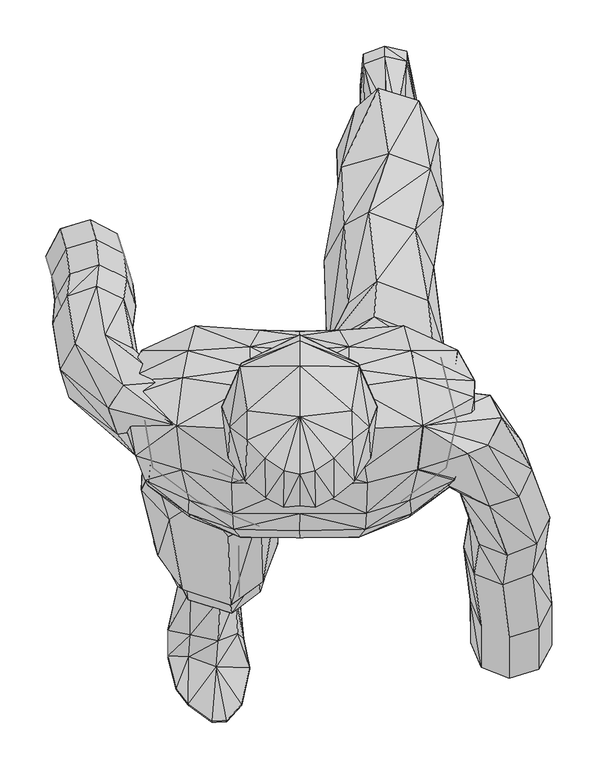
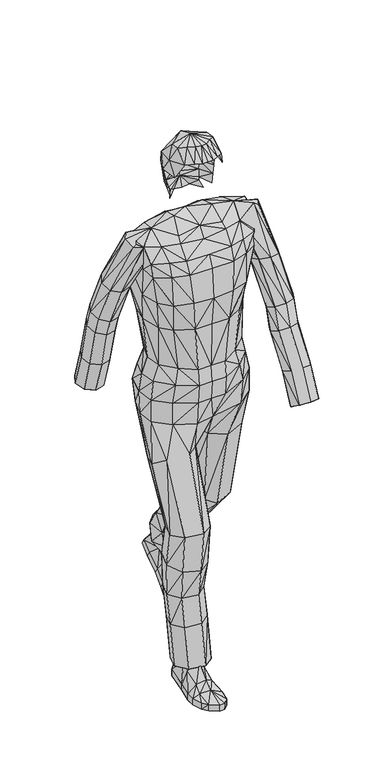
"""IFC4 building model written with IfcOpenShell, lengths in millimetres: geographic element geometry."""

from ifc_helpers import new_model, si_unit, origin, place, context, project, spatial, triangles, source, transform, mapped, element, save


def geographic_element_5e28aa69(model_context):
    return source(origin(), model_context, "Body", "Tessellation", [
        triangles([(-94.0595022, -170.7555656, 147.8358709), (-117.8720022, -158.1546269, 141.9819404), (-95.7460635, -179.2881844, 102.39375), (-111.6210665, -165.6953731, 95.3493126), (-122.0391261, -128.7858709, 134.0444344), (-118.268753, -133.6476835, 84.5345022), (-70.9414365, -173.6328791, 96.837503), (-72.0328761, -162.3217418, 142.6766291), (-98.5243096, -108.8430656, 90.5868126), (-105.568747, -102.39375, 133.0523165), (-79.0773135, -94.6546239, 92.2733739), (-81.3592509, -89.693753, 137.2194404), (-65.1868141, -140.0969991, 141.1881844), (-66.1789365, -148.6296269, 95.5476835), (-63.1032522, -115.4907522, 139.5016231), (-68.2624985, -123.4282491, 91.9756904), (-117.6733769, -93.3648135, 22.4234246), (-93.4641261, -87.6101865, 1.5875), (-117.6733769, -94.2578731, 1.7859375), (-93.4641261, -86.7171269, 22.0265761), (-69.9493141, -98.6233769, 2.1828125), (-69.9493141, -97.3335665, 22.621875), (-66.7743126, -139.2039396, 4.0679623), (-66.7743126, -138.0131874, 24.7054619), (-66.1789365, -194.0720022, 6.8460875), (-66.1789365, -192.7819283, 27.6819359), (-61.614812, -240.9029918, 9.525), (-61.614812, -239.910883, 29.9641253), (-54.9671254, -272.7528282, 11.2117123), (-54.9671254, -271.5615674, 31.5516261), (-63.4999985, -312.6384387, 13.2953254), (-63.4999985, -311.5462452, 33.9328761), (-80.168753, -330.497196, 14.0890496), (-80.168753, -329.5065951, 34.7266253), (-96.4407522, -331.0940709, 14.2875), (-96.4407522, -330.1009266, 34.9250008), (-122.237497, -312.6384387, 13.2953254), (-122.237497, -311.5462452, 33.9328761), (-135.1358739, -295.4731165, 12.4023373), (-135.1358739, -294.4799722, 33.039812), (-144.5618156, -260.0528222, 10.5171746), (-144.5618156, -258.6634448, 31.1546232), (-144.2641231, -231.576617, 9.3265496), (-144.2641231, -230.4851865, 29.7657522), (-132.0601896, -176.7085635, 6.1515754), (-132.0601896, -175.5180656, 26.5904986), (-91.3805596, -270.4693557, 48.4187515), (-121.3444374, -259.4559109, 39.8858739), (-114.6967509, -152.995367, 84.7328731), (-119.2608709, -185.5391291, 74.116438), (-94.5555656, -99.0203731, 101.2032522), (-97.63125, -107.949997, 122.237497), (-83.2444374, -104.0805656, 103.4851896), (-106.5608739, -110.7282522, 96.837503), (-89.8921239, -146.1493096, 143.2717509), (-72.2312515, -152.3006874, 87.2131904), (-87.2131904, -196.1555596, 101.600003), (-69.9493141, -194.4687439, 78.4819374), (-119.5585635, -235.4460574, 57.2493126), (-89.2970022, -241.7960695, 66.7743126), (-67.6671224, -233.8585635, 52.685188), (-112.4148135, -220.4641231, 8.2351629), (116.8796209, 269.5778222, 179.3875061), (94.8532491, 274.6375061, 134.937503), (93.1664335, 255.7856226, 176.6092418), (110.8273104, 290.0171996, 137.0210604), (117.2766261, 322.4606226, 146.2483769), (121.0469991, 298.1528222, 189.6069404), (71.2391246, 265.7068557, 177.3039305), (70.0483724, 282.4759448, 133.5483709), (97.5319374, 339.0315951, 165.3976805), (104.3782491, 320.3778282, 203.8944404), (78.1844991, 350.2431564, 174.7243096), (80.4664365, 328.3153161, 214.7092418), (64.9881844, 304.0049722, 146.843753), (64.1944374, 285.056583, 189.3095022), (61.9125, 305.7931443, 202.0095082), (67.2703761, 326.2325217, 158.0555596), (116.68125, 391.3200096, 118.7648165), (92.5710665, 407.7893895, 104.775), (116.68125, 401.934696, 101.2032522), (92.5710665, 396.6768774, 122.0391261), (68.9569374, 398.7596718, 98.9210604), (68.9569374, 387.7462452, 116.1851865), (65.8812485, 363.7356105, 77.4898104), (65.8812485, 352.9202823, 94.7539365), (65.1868141, 317.6981226, 48.0217463), (65.1868141, 306.2884266, 65.7819359), (60.4243141, 277.7134448, 23.7132873), (60.4243141, 266.5018835, 40.778938), (54.3720037, 250.4279918, 12.0054627), (54.3720037, 238.720367, 39.7868156), (62.3092463, 215.6023195, 7.0445379), (62.3092463, 204.3907582, 24.3085885), (79.1766261, 199.8266291, 5.5562498), (79.1766261, 188.714117, 23.1179635), (95.4483709, 199.1319404, 5.1593752), (95.4483709, 188.11875, 22.8203254), (121.2453791, 215.6023195, 7.0445379), (121.2453791, 204.3907582, 24.3085885), (134.143747, 230.385883, 7.6398373), (134.143747, 218.9756783, 25.5983739), (143.5694344, 261.6403161, 13.2953254), (143.5694344, 250.626617, 30.95625), (143.3710635, 285.8490674, 28.277312), (143.3710635, 274.8356226, 46.0375015), (131.0680626, 332.3818557, 57.6460635), (131.0680626, 321.6681564, 74.9101896), (90.6858709, 230.8819283, 43.6562515), (120.4516231, 244.5743156, 45.6404963), (118.3680656, 286.0471839, 108.2476896), (113.8039365, 306.4865613, 135.3344991), (93.5631844, 340.9162548, 179.9828731), (96.6391231, 322.1634387, 191.8891231), (82.0539396, 335.8565709, 178.6930717), (105.6680596, 334.1700096, 169.5648135), (88.9993096, 278.8056383, 187.2256904), (71.4375, 305.3943678, 137.7157491), (86.2210635, 261.4421996, 124.5194344), (68.9569374, 276.3240674, 106.6601865), (118.5664365, 254.7950217, 65.5835604), (88.4039335, 243.7805596, 69.5523135), (66.675, 258.9606287, 63.1032522), (111.5219991, 294.9778161, 34.1312492)], [[1, 2, 3], [2, 4, 3], [5, 2, 6], [6, 4, 2], [1, 7, 8], [1, 3, 7], [9, 5, 6], [10, 5, 9], [10, 9, 11], [12, 10, 11], [13, 14, 8], [14, 8, 7], [15, 14, 13], [15, 16, 14], [12, 16, 15], [12, 11, 16], [17, 18, 19], [17, 20, 18], [20, 21, 18], [22, 21, 20], [22, 23, 21], [22, 24, 23], [24, 25, 23], [24, 26, 25], [26, 27, 25], [26, 28, 27], [28, 29, 27], [28, 30, 29], [30, 31, 29], [30, 32, 31], [32, 33, 31], [32, 34, 33], [34, 35, 33], [36, 35, 34], [36, 37, 35], [36, 38, 37], [39, 37, 38], [40, 39, 38], [41, 39, 40], [42, 41, 40], [43, 41, 42], [44, 43, 42], [45, 43, 44], [46, 45, 44], [19, 45, 46], [17, 19, 46], [47, 38, 36], [47, 48, 38], [48, 40, 38], [30, 47, 32], [32, 47, 34], [34, 47, 36], [49, 46, 50], [17, 46, 49], [51, 22, 20], [52, 53, 51], [53, 22, 51], [54, 20, 17], [52, 54, 55], [17, 49, 54], [22, 53, 56], [53, 52, 55], [53, 55, 56], [22, 56, 24], [54, 49, 55], [55, 49, 57], [24, 56, 26], [55, 58, 56], [55, 57, 58], [56, 58, 26], [57, 49, 50], [57, 50, 59], [46, 44, 50], [26, 58, 28], [58, 57, 60], [61, 58, 60], [58, 61, 28], [50, 44, 59], [57, 59, 60], [60, 59, 48], [44, 42, 59], [61, 30, 28], [61, 60, 47], [30, 61, 47], [59, 42, 48], [60, 48, 47], [48, 42, 40], [52, 20, 54], [20, 52, 51], [62, 41, 43], [62, 39, 41], [62, 37, 39], [35, 37, 62], [33, 35, 62], [31, 33, 62], [29, 31, 62], [29, 62, 27], [27, 62, 25], [25, 62, 23], [23, 62, 21], [21, 62, 18], [18, 62, 19], [62, 45, 19], [62, 43, 45], [63, 64, 65], [66, 64, 63], [67, 68, 63], [67, 66, 63], [69, 65, 70], [65, 64, 70], [71, 68, 67], [71, 72, 68], [72, 71, 73], [74, 72, 73], [75, 69, 76], [75, 69, 70], [77, 75, 76], [78, 75, 77], [74, 78, 77], [73, 78, 74], [79, 80, 81], [82, 80, 79], [82, 83, 80], [82, 84, 83], [83, 84, 85], [84, 86, 85], [85, 86, 87], [86, 88, 87], [87, 88, 89], [88, 90, 89], [89, 90, 91], [90, 92, 91], [91, 92, 93], [92, 94, 93], [94, 95, 93], [94, 96, 95], [96, 97, 95], [96, 98, 97], [98, 99, 97], [100, 99, 98], [101, 99, 100], [101, 100, 102], [103, 101, 102], [103, 102, 104], [105, 103, 104], [105, 104, 106], [107, 105, 106], [107, 106, 108], [81, 107, 108], [81, 108, 79], [100, 98, 109], [100, 109, 110], [102, 100, 110], [109, 94, 92], [109, 96, 94], [98, 96, 109], [108, 111, 112], [79, 108, 112], [113, 84, 82], [114, 115, 113], [113, 115, 84], [79, 116, 82], [116, 117, 114], [79, 112, 116], [84, 115, 118], [114, 117, 115], [115, 117, 118], [84, 118, 86], [116, 112, 117], [112, 119, 117], [86, 118, 88], [118, 117, 120], [117, 119, 120], [88, 118, 120], [112, 111, 119], [111, 121, 119], [108, 106, 111], [88, 120, 90], [120, 119, 122], [120, 122, 123], [120, 123, 90], [111, 106, 121], [119, 121, 122], [122, 121, 110], [106, 104, 121], [90, 123, 92], [122, 109, 123], [109, 92, 123], [121, 104, 110], [122, 110, 109], [104, 102, 110], [82, 116, 114], [82, 114, 113], [103, 105, 124], [103, 124, 101], [101, 124, 99], [99, 124, 97], [124, 95, 97], [124, 93, 95], [124, 91, 93], [124, 89, 91], [124, 87, 89], [124, 85, 87], [124, 83, 85], [124, 80, 83], [81, 80, 124], [107, 81, 124], [105, 107, 124]], closed=False),
        triangles([(-0.396875, 32.2460627, 1513.8807049), (-61.9125, -11.2117123, 1528.3663033), (-0.396875, -49.3118156, 1497.0125484), (-71.6358754, -52.7842463, 1487.4875484), (-134.7391231, -7.6398373, 1510.5075096), (-59.3328746, 34.8256859, 1515.468108), (-127.793753, 45.3430626, 1494.6299904), (-74.2154963, -69.6516261, 1472.2067951), (-0.396875, -72.3305641, 1464.6681564), (-73.2233739, -102.8898135, 1431.3306564), (-0.396875, -103.4851896, 1429.743108), (-72.2312515, -120.4516231, 1391.4450096), (-0.5953125, -122.1381844, 1392.4356468), (-0.396875, -129.9766231, 1293.8124516), (-64.4921254, -128.9842509, 1296.7894501), (-56.3562485, -119.9555596, 1198.1662548), (-0.396875, -117.7726896, 1197.5693436), (-119.6578761, -107.4539335, 1292.6212452), (-108.9421239, -89.7930656, 1195.3875), (-122.237497, -103.4851896, 1390.8480984), (-120.8483739, -88.6023135, 1430.9318436), (-128.9842509, -55.2648135, 1471.4144016), (-179.3875061, -39.9851865, 1478.1606468), (-190.8967418, 23.9117127, 1487.0912064), (-191.4921269, -6.4492123, 1475.5799904), (-169.2671209, -66.972688, 1430.3375484), (-165.8937439, -73.1243156, 1385.6894016), (-146.843753, -62.0118126, 1285.2807049), (-138.3108709, -56.2569359, 1194.394392), (-159.9404918, -0.4960925, 1282.7000484), (-156.1703731, 4.0679623, 1195.9818678), (-159.9404918, -5.0601625, 1373.5837452), (-167.4812561, 60.0273135, 1279.5249516), (-146.6453731, 57.8444344, 1195.9818678), (-173.0374939, 75.2078776, 1375.1712936), (-191.6907522, 41.9694359, 1451.9682049), (-53.7766276, 55.6618141, 1500.5836967), (-0.396875, 51.9907537, 1496.6162064), (-0.396875, 74.9101896, 1466.6519016), (-54.1733739, 78.6805626, 1468.4375484), (-121.8405009, 74.7118141, 1464.6681564), (-0.396875, 91.0828761, 1379.3393532), (-43.6562515, 97.1351865, 1377.9500484), (-114.3, 102.0960665, 1374.5768532), (-0.396875, 88.8006844, 1274.9605499), (-40.0845037, 93.5631844, 1274.9605499), (-104.9733709, 97.5319374, 1274.9605499), (-95.25, 80.5657491, 1198.1662548), (-34.3296247, 82.2523104, 1198.5625242), (-0.396875, 79.6726896, 1198.5625242), (-0.396875, -115.9868156, 1051.519392), (-44.4499985, -117.1773135, 1052.1162306), (-93.8608769, -89.7930656, 1057.8693678), (-136.7233769, -52.7842463, 1063.030608), (-148.431247, -7.3422004, 1067.5950096), (-130.3733739, 42.1680656, 1063.6249758), (-95.0516291, 61.8131874, 1058.8624758), (-54.5703746, 60.6226896, 1059.8556564), (-0.396875, 58.8368156, 1057.275), (61.1187485, -11.2117123, 1528.3663033), (70.6437485, -52.7842463, 1487.4875484), (134.143747, -7.6398373, 1510.5075096), (58.5391276, 34.8256859, 1515.468108), (126.999997, 45.3430626, 1494.6299904), (73.4220037, -69.6516261, 1472.2067951), (72.4296224, -102.8898135, 1431.3306564), (71.2391246, -120.4516231, 1391.4450096), (64.0953746, -128.9842509, 1296.7894501), (55.5625015, -119.9555596, 1198.1662548), (118.8641291, -107.4539335, 1292.6212452), (108.1483769, -89.7930656, 1195.3875), (121.44375, -103.4851896, 1390.8480984), (120.0546269, -88.6023135, 1430.9318436), (128.1907491, -55.2648135, 1471.4144016), (178.59375, -39.9851865, 1478.1606468), (190.3016291, 23.9117127, 1487.0912064), (190.6983709, -6.4492123, 1475.5799904), (168.473383, -66.972688, 1430.3375484), (165.1000061, -73.1243156, 1385.6894016), (146.049997, -62.0118126, 1285.2807049), (137.5171239, -56.2569359, 1194.394392), (159.1470082, -0.4960925, 1282.7000484), (155.376617, 4.0679623, 1195.9818678), (159.1470082, -5.0601625, 1373.5837452), (166.8858709, 60.0273135, 1279.5249516), (145.8516261, 57.8444344, 1195.9818678), (172.2437561, 75.2078776, 1375.1712936), (190.8967418, 41.9694359, 1451.9682049), (52.9828761, 55.6618141, 1500.5836967), (53.3796224, 78.6805626, 1468.4375484), (121.0469991, 74.7118141, 1464.6681564), (42.8625, 97.1351865, 1377.9500484), (113.506253, 102.0960665, 1374.5768532), (39.2907522, 93.5631844, 1274.9605499), (104.1796239, 97.5319374, 1274.9605499), (94.456253, 80.5657491, 1198.1662548), (33.5358732, 82.2523104, 1198.5625242), (43.8546224, -117.1773135, 1052.1162306), (93.0671209, -89.7930656, 1057.8693678), (135.9296209, -52.7842463, 1063.030608), (147.4391291, -7.3422004, 1067.5950096), (129.5796269, 42.1680656, 1063.6249758), (94.2578731, 61.8131874, 1058.8624758), (53.7766276, 60.6226896, 1059.8556564), (-146.1493096, 40.778938, 1480.5432049), (-130.7703791, 29.4680641, 1475.2827702), (-182.6618156, 77.1921269, 1333.2027798), (-212.526617, 92.075003, 1339.6519501), (-173.1368156, 46.5335604, 1321.0971233), (-120.9476865, 1.091405, 1459.3087452), (-189.6069404, 17.859375, 1310.5816315), (-137.0210604, -24.2093758, 1443.3347202), (-222.4483769, 8.2351629, 1307.9018532), (-252.3131783, 23.0187508, 1314.3508781), (-199.5289365, -16.8672004, 1468.7346233), (-261.8384326, 53.7766276, 1326.4565346), (-209.2523074, 11.5093754, 1484.7087936), (-245.3680717, 82.3516231, 1336.9721718), (-193.1789426, 36.8101873, 1487.9828671), (-192.3851865, 130.8694374, 1191.618108), (-221.9523135, 145.1569374, 1201.341279), (-182.760883, 99.9131874, 1180.8028524), (-198.7351805, 70.3460604, 1175.146221), (-230.8819283, 59.53125, 1178.024025), (-260.4490552, 73.7194374, 1187.6481468), (-270.0731226, 104.775, 1198.463475), (-254.0990613, 134.2430596, 1204.1174904), (-189.2101805, 154.0868156, 1132.1846718), (-219.075, 168.7710574, 1140.7191072), (-179.5858769, 123.1305656, 1121.5699854), (-195.6592418, 93.8608769, 1115.0193678), (-228.2032582, 83.4430626, 1116.6068436), (-258.069077, 98.1273135, 1125.2403282), (-267.6931443, 129.1828761, 1135.8574854), (-251.6187439, 158.4523195, 1142.306583), (-192.6828791, 180.4789365, 1008.5577702), (-222.6470022, 196.0562561, 1013.0231226), (-182.8601865, 148.431247, 1002.7056564), (-198.9335695, 118.6657491, 998.6365734), (-231.4773135, 108.6444404, 998.8346718), (-261.3431322, 124.2217509, 1003.200975), (-271.1653161, 156.2694404, 1009.0556322), (-255.0922056, 186.0351926, 1013.1221718), (-199.429633, 202.40625, 904.875), (-229.2944344, 217.9835695, 909.2412306), (-189.5078731, 170.1601805, 900.2115492), (-205.382867, 140.1960665, 898.0297056), (-237.8273074, 129.9766231, 899.7162306), (-267.6931443, 145.5539335, 904.0799904), (-277.7134448, 177.7006904, 908.7434412), (-261.7393835, 207.764117, 910.828779), (144.2641231, 22.0265761, 1459.9056564), (178.7921209, -20.240625, 1318.9152798), (161.4289365, 31.5516261, 1457.2258781), (210.8398195, -9.3265496, 1315.143417), (164.4055717, -50.00625, 1328.1432049), (176.0141291, -81.1608709, 1337.6682049), (183.6539426, -37.802312, 1505.2472202), (206.8710574, -95.4483709, 1341.7346718), (205.6805596, -28.7733732, 1483.8171329), (238.9187561, -84.7328731, 1337.9652798), (220.3648195, 1.4882825, 1479.0546329), (253.3055596, -54.8680626, 1328.7375), (208.0618096, 25.7970014, 1465.9558685), (241.6970022, -23.7132873, 1319.2125), (199.1319404, -78.7796209, 1174.3537548), (230.98125, -66.4766246, 1173.459696), (184.6460695, -108.0493096, 1184.7702702), (196.1555596, -136.9220022, 1198.6615734), (226.7148135, -148.6296269, 1207.790304), (258.5643774, -136.3266261, 1206.9952944), (273.0499939, -107.15625, 1196.4797298), (261.6403161, -78.1844991, 1182.6874758), (193.5756844, -110.4305596, 1113.1346718), (225.7226865, -98.424997, 1111.1509266), (179.0898135, -139.5016231, 1123.8509508), (190.6983709, -168.7710574, 1136.8481226), (221.6546209, -180.8756783, 1144.686525), (253.7023195, -168.8703791, 1142.7028524), (268.1884448, -139.7993156, 1132.0856226), (256.5806322, -110.6289396, 1119.0884508), (200.7194344, -170.7555656, 999.5306322), (232.6680656, -160.6351805, 993.675975), (186.332867, -197.7430717, 1014.5115492), (198.0404918, -225.8220082, 1029.7922298), (228.8976926, -238.6210635, 1036.4393532), (260.8453065, -228.5006783, 1030.584696), (275.2318557, -201.5131904, 1015.5047298), (263.5249939, -173.4345082, 1000.3230984), (200.8187561, -217.8845022, 904.3796814), (232.767133, -207.764117, 898.5250242), (186.5312561, -244.1773195, 920.4528282), (198.239117, -271.3634326, 937.3184412), (228.9967418, -283.3700217, 945.1568436), (260.9443557, -273.2481287, 939.3047298), (275.330923, -246.9555656, 923.231583), (263.6240613, -219.7694344, 906.3634266)], [[1, 2, 3], [3, 2, 4], [2, 5, 4], [1, 6, 2], [6, 5, 7], [6, 5, 2], [3, 8, 9], [3, 4, 8], [9, 10, 11], [8, 10, 9], [11, 12, 13], [10, 12, 11], [13, 12, 14], [12, 15, 14], [14, 16, 17], [15, 16, 14], [18, 19, 16], [15, 18, 16], [20, 18, 15], [12, 20, 15], [21, 20, 12], [10, 21, 12], [22, 21, 10], [8, 22, 10], [4, 22, 8], [4, 5, 22], [22, 5, 23], [5, 24, 23], [24, 25, 23], [23, 26, 22], [22, 26, 21], [21, 26, 20], [26, 27, 20], [20, 27, 18], [28, 18, 27], [28, 19, 18], [29, 19, 28], [30, 29, 28], [31, 29, 30], [30, 28, 27], [30, 27, 32], [32, 27, 26], [32, 26, 23], [32, 23, 25], [33, 31, 34], [33, 31, 30], [35, 33, 30], [35, 30, 32], [24, 32, 25], [36, 32, 24], [35, 32, 36], [7, 24, 5], [37, 6, 7], [38, 6, 37], [38, 6, 1], [38, 39, 40], [37, 40, 38], [37, 41, 40], [37, 7, 41], [7, 36, 24], [7, 36, 41], [40, 39, 42], [40, 42, 43], [40, 43, 44], [40, 41, 44], [41, 35, 44], [41, 36, 35], [42, 45, 43], [43, 45, 46], [43, 46, 47], [43, 47, 44], [35, 44, 33], [44, 47, 33], [33, 34, 48], [33, 47, 48], [47, 49, 48], [46, 49, 47], [45, 49, 46], [45, 50, 49], [16, 51, 17], [16, 52, 51], [16, 19, 52], [19, 53, 52], [29, 53, 19], [29, 54, 53], [31, 54, 29], [31, 55, 54], [34, 55, 31], [34, 56, 55], [48, 56, 34], [48, 57, 56], [49, 57, 48], [49, 58, 57], [50, 58, 49], [50, 59, 58], [60, 1, 3], [61, 60, 3], [62, 60, 61], [60, 63, 1], [62, 64, 63], [62, 63, 60], [3, 9, 65], [65, 61, 3], [9, 11, 66], [65, 9, 66], [11, 13, 67], [66, 11, 67], [13, 14, 67], [67, 14, 68], [14, 17, 69], [68, 14, 69], [70, 71, 69], [68, 69, 70], [72, 68, 70], [67, 68, 72], [73, 67, 72], [66, 67, 73], [74, 66, 73], [65, 66, 74], [74, 61, 65], [62, 61, 74], [75, 62, 74], [76, 62, 75], [76, 75, 77], [75, 74, 78], [74, 73, 78], [73, 72, 78], [78, 72, 79], [72, 70, 79], [80, 79, 70], [80, 71, 70], [81, 71, 80], [82, 81, 80], [83, 81, 82], [82, 79, 80], [82, 84, 79], [84, 78, 79], [84, 75, 78], [84, 77, 75], [85, 86, 83], [85, 83, 82], [87, 85, 82], [87, 84, 82], [76, 77, 84], [88, 76, 84], [87, 88, 84], [76, 64, 62], [64, 89, 63], [63, 89, 38], [63, 38, 1], [38, 90, 39], [89, 90, 38], [89, 91, 90], [89, 64, 91], [64, 76, 88], [64, 88, 91], [90, 42, 39], [90, 92, 42], [90, 93, 92], [90, 91, 93], [91, 87, 93], [91, 88, 87], [42, 92, 45], [92, 94, 45], [92, 95, 94], [92, 93, 95], [87, 93, 85], [93, 85, 95], [85, 96, 86], [85, 96, 95], [95, 96, 97], [95, 97, 94], [94, 97, 45], [45, 97, 50], [69, 17, 51], [69, 51, 98], [69, 98, 71], [71, 98, 99], [81, 71, 99], [81, 99, 100], [83, 81, 100], [83, 100, 101], [86, 83, 101], [86, 101, 102], [96, 86, 102], [96, 102, 103], [97, 96, 103], [97, 103, 104], [97, 104, 50], [50, 104, 59], [105, 106, 107], [105, 107, 108], [109, 106, 110], [107, 106, 109], [111, 112, 110], [109, 110, 111], [23, 112, 113], [112, 111, 113], [114, 23, 115], [23, 113, 114], [116, 115, 117], [116, 114, 115], [118, 117, 119], [118, 116, 117], [119, 105, 108], [119, 108, 118], [108, 107, 120], [108, 120, 121], [122, 107, 109], [120, 107, 122], [123, 109, 111], [122, 109, 123], [111, 124, 113], [111, 123, 124], [114, 113, 125], [113, 124, 125], [126, 114, 116], [126, 114, 125], [127, 116, 118], [127, 126, 116], [108, 121, 118], [118, 121, 127], [121, 120, 128], [121, 128, 129], [120, 122, 130], [128, 120, 130], [122, 123, 131], [130, 122, 131], [124, 123, 132], [123, 131, 132], [125, 124, 133], [124, 132, 133], [134, 126, 125], [134, 125, 133], [135, 126, 127], [135, 126, 134], [127, 121, 129], [127, 129, 135], [129, 128, 136], [129, 136, 137], [128, 130, 138], [136, 128, 138], [130, 131, 139], [138, 130, 139], [132, 131, 140], [131, 139, 140], [133, 132, 141], [132, 140, 141], [142, 134, 133], [142, 133, 141], [143, 135, 134], [143, 134, 142], [135, 129, 137], [135, 143, 137], [137, 136, 144], [137, 144, 145], [136, 138, 146], [144, 136, 146], [138, 139, 147], [146, 138, 147], [140, 139, 148], [139, 148, 147], [141, 140, 149], [140, 148, 149], [150, 142, 141], [150, 141, 149], [151, 143, 142], [151, 142, 150], [143, 145, 137], [143, 151, 145], [106, 105, 5], [106, 5, 110], [110, 112, 5], [5, 112, 23], [5, 115, 23], [5, 117, 115], [5, 119, 117], [5, 105, 119], [151, 150, 149], [145, 151, 149], [144, 149, 145], [146, 149, 144], [146, 147, 149], [147, 148, 149], [152, 153, 154], [154, 153, 155], [91, 156, 152], [152, 156, 153], [91, 74, 157], [91, 157, 156], [158, 159, 74], [74, 159, 157], [160, 161, 158], [158, 161, 159], [162, 163, 160], [160, 163, 161], [164, 165, 162], [162, 165, 163], [164, 154, 155], [164, 155, 165], [153, 166, 155], [155, 166, 167], [153, 156, 168], [153, 168, 166], [156, 157, 169], [156, 169, 168], [159, 170, 157], [157, 170, 169], [159, 161, 171], [159, 171, 170], [163, 172, 161], [161, 172, 171], [165, 173, 163], [163, 173, 172], [165, 155, 167], [165, 167, 173], [166, 174, 167], [167, 174, 175], [166, 168, 176], [166, 176, 174], [168, 169, 177], [168, 177, 176], [170, 178, 169], [169, 178, 177], [170, 171, 179], [170, 179, 178], [172, 180, 171], [171, 180, 179], [173, 181, 172], [172, 181, 180], [173, 167, 175], [173, 175, 181], [174, 182, 175], [175, 182, 183], [174, 176, 184], [174, 184, 182], [176, 177, 185], [176, 185, 184], [178, 186, 177], [177, 186, 185], [178, 179, 187], [178, 187, 186], [180, 188, 179], [179, 188, 187], [181, 189, 180], [180, 189, 188], [181, 175, 183], [181, 183, 189], [182, 190, 183], [183, 190, 191], [182, 184, 192], [182, 192, 190], [184, 185, 193], [184, 193, 192], [186, 194, 185], [185, 194, 193], [186, 187, 195], [186, 195, 194], [188, 196, 187], [187, 196, 195], [189, 197, 188], [188, 197, 196], [189, 183, 191], [189, 191, 197], [62, 152, 154], [91, 152, 62], [91, 62, 74], [158, 74, 62], [160, 158, 62], [162, 160, 62], [162, 62, 164], [62, 154, 164], [196, 197, 195], [197, 191, 195], [195, 191, 190], [195, 190, 192], [195, 192, 193], [195, 193, 194]], closed=False),
        triangles([(-93.8608769, -89.7930656, 1057.8693678), (-44.4499985, -123.5273165, 1001.316279), (-44.4499985, -117.1773135, 1052.1162306), (-105.2710635, -96.1430596, 1007.0693436), (-136.7233769, -52.7842463, 1063.030608), (-154.4835574, -52.7842463, 1012.2306564), (-148.431247, -7.3422004, 1067.5950096), (-166.1914365, -7.3422004, 1016.7949854), (-130.3733739, 42.1680656, 1063.6249758), (-148.1335635, 48.5180641, 1012.8250242), (-95.0516291, 61.8131874, 1058.8624758), (-106.4618156, 79.6726896, 1008.0625242), (-54.5703746, 60.6226896, 1059.8556564), (-54.5703746, 78.4819374, 1009.0556322), (-0.396875, 63.996062, 1057.275), (-0.396875, 76.6960635, 1006.4749758), (53.7766276, 60.6226896, 1059.8556564), (53.7766276, 78.4819374, 1009.0556322), (94.2578731, 61.8131874, 1058.8624758), (105.6680596, 79.6726896, 1008.0625242), (129.5796269, 42.1680656, 1063.6249758), (140.9898135, 48.5180641, 1012.8250242), (147.4391291, -7.3422004, 1067.5950096), (158.8493156, -7.3422004, 1016.7949854), (135.9296209, -52.7842463, 1063.030608), (147.3398165, -52.7842463, 1012.2306564), (93.0671209, -89.7930656, 1057.8693678), (104.4773165, -96.1430596, 1007.0693436), (43.8546224, -117.1773135, 1052.1162306), (43.8546224, -123.5273165, 1001.316279), (-0.396875, -115.9868156, 1051.519392), (-0.396875, -122.3368096, 1000.7193678), (-111.6210665, -89.7930656, 943.5693678), (-44.4499985, -117.1773135, 937.8162306), (-111.6210665, -89.7930656, 867.3693678), (-44.4499985, -110.8273104, 861.6162306), (-0.396875, -115.9868156, 937.219392), (12.3031246, -101.4016231, 861.019392), (43.8546224, -117.1773135, 937.8162306), (117.1773135, -89.7930656, 943.5693678), (110.8273104, -89.7930656, 867.3693678), (160.0398135, -52.7842463, 948.730608), (160.0398135, -52.7842463, 872.530608), (171.5493217, -0.9921875, 953.2950096), (171.5493217, -0.9921875, 877.0950096), (153.6898195, 67.5680641, 949.3249758), (153.6898195, 61.2180656, 873.1249758), (118.3680656, 98.7226896, 944.5624758), (112.0180626, 92.3726865, 868.3624758), (53.7766276, 97.5319374, 945.5556564), (53.7766276, 91.1819344, 869.3556564), (-0.396875, 95.7460635, 942.975), (-28.6743149, 78.6805626, 869.3556564), (-54.5703746, 97.5319374, 945.5556564), (-112.8118096, 98.7226896, 944.5624758), (-112.8118096, 83.6414335, 868.3624758), (-154.4835574, 67.5680641, 949.3249758), (-147.7368126, 61.2180656, 873.1249758), (-172.5414305, -0.9921875, 953.2950096), (-169.5648135, -0.9921875, 877.0950096), (-160.8335695, -52.7842463, 948.730608), (-160.8335695, -52.7842463, 872.530608), (144.462503, 87.312503, 775.8912306), (81.2601835, 111.8194374, 782.4393774), (171.2516291, 25.9953768, 763.884696), (145.9506844, -36.3141261, 753.3690588), (83.4430626, -63.1032522, 751.0856226), (32.9407514, -38.5960635, 757.6337694), (6.1515754, 22.7210877, 769.5412548), (31.4523112, 85.0305656, 780.056892), (140.49375, 129.4805596, 518.2184049), (83.9391261, 150.6141261, 530.3240613), (157.5592418, 75.6046239, 496.8875121), (140.6921209, 20.7367135, 478.8306564), (84.2368096, -3.0757877, 474.5634387), (53.1812515, 18.0578254, 486.6690951), (29.6664373, 71.9335635, 507.9009387), (52.9828761, 126.8016261, 526.0568436), (126.0078791, 207.0694283, 397.6700217), (75.1085604, 226.1194283, 409.8721839), (146.1493096, 165.9930656, 357.9825096), (123.7256874, 152.4, 314.0278161), (72.0328761, 138.3108709, 291.5056443), (46.5335604, 157.3608709, 303.6087391), (26.3921232, 173.0374939, 343.2962331), (48.7164396, 212.0305717, 387.2509266), (142.1805656, 273.5452944, 293.3903222), (96.9368156, 290.3143835, 307.5787548), (156.7657582, 235.0493156, 251.4203731), (141.1881844, 222.7460695, 206.2756904), (95.5476835, 207.8631844, 184.5470022), (43.9539396, 224.6312561, 198.7351805), (42.0687485, 237.7282582, 240.7046209), (44.946062, 275.4299722, 285.75), (129.6789396, 348.0587331, 194.4687439), (85.3282491, 361.8509508, 214.7092418), (151.4078731, 306.3875121, 158.8493156), (137.7157491, 261.3431322, 128.5875), (87.5108739, 239.2164305, 121.44375), (62.1108754, 253.007867, 141.5851896), (40.48125, 294.581583, 177.3039305), (60.5233724, 339.7250121, 207.5654918), (-142.6766291, -109.3391291, 766.8615492), (-78.1844991, -128.2898165, 777.3797298), (-173.235883, -77.1921269, 747.019083), (-151.9039365, -14.882825, 729.1578186), (-91.281247, 15.8749996, 723.9990492), (-52.1891246, -3.0757877, 734.5172298), (-21.6297004, -60.6226896, 754.359696), (-42.9618126, -97.5319374, 772.218417), (-128.7858709, -186.1342418, 540.6440709), (-75.7039365, -203.1006844, 544.9087452), (-155.1779918, -148.7289396, 535.1856105), (-139.5016231, -94.9523165, 531.9115734), (-90.8842509, -68.9569374, 532.6049904), (-50.6016261, -85.9233709, 536.8721718), (-24.1101631, -136.0289335, 542.3306322), (-39.7868156, -177.1055596, 545.6047056), (-133.6476835, -182.760883, 419.3971839), (-80.9625, -198.7351805, 416.4202944), (-159.6430717, -134.143747, 425.0537427), (-143.668747, -81.3592509, 429.7171935), (-95.0516291, -55.4631844, 430.9059291), (-54.9671254, -71.4375, 427.931583), (-28.9717486, -120.0546269, 422.3740734), (-44.946062, -172.8391231, 417.6115734), (-129.4805596, -170.1601805, 319.780917), (-82.0539396, -184.6460695, 325.4375121), (-152.8960635, -126.5039335, 315.9125121), (-138.4101835, -78.9780009, 316.1106105), (-94.6546239, -55.5625015, 320.6750121), (-59.9279963, -70.0483724, 326.4306564), (-36.6118141, -113.8039365, 330.2990613), (-50.9983724, -161.2305656, 330.0018774), (-124.0233709, -179.189117, 221.9523135), (-76.8944344, -193.5756844, 229.8898195), (-147.0421239, -135.6319374, 214.907867), (-132.3578731, -88.2055626, 212.9233769), (-88.5030009, -64.7898135, 217.0904918), (-54.0743156, -79.1766261, 224.9289305), (-31.0555649, -122.8328731, 231.9733769), (-45.7398135, -170.1601805, 233.957867), (-121.7414335, -197.2470082, 88.3046209), (-74.4141261, -211.8319283, 92.5710665), (-144.7601865, -153.5907522, 81.8555596), (-129.9766231, -106.362503, 76.8944344), (-86.0226835, -83.2444374, 76.4976835), (-51.3953776, -97.8296209, 80.7641291), (-28.4756851, -141.4858769, 87.2131904), (-43.160188, -188.714117, 92.1743156)], [[1, 2, 3], [1, 4, 2], [5, 4, 1], [5, 6, 4], [7, 6, 5], [8, 6, 7], [9, 8, 7], [10, 8, 9], [9, 11, 10], [11, 12, 10], [13, 12, 11], [13, 14, 12], [13, 15, 14], [15, 16, 14], [17, 16, 15], [17, 18, 16], [17, 19, 18], [19, 20, 18], [21, 20, 19], [21, 22, 20], [22, 21, 23], [22, 23, 24], [23, 25, 24], [24, 25, 26], [25, 27, 26], [27, 28, 26], [27, 29, 28], [29, 30, 28], [29, 31, 30], [31, 32, 30], [3, 32, 31], [3, 2, 32], [4, 33, 2], [2, 33, 34], [33, 35, 34], [34, 35, 36], [2, 34, 32], [32, 34, 37], [34, 36, 37], [37, 36, 38], [30, 32, 37], [30, 37, 39], [39, 37, 38], [28, 30, 39], [28, 39, 40], [40, 39, 38], [40, 38, 41], [26, 28, 40], [26, 40, 42], [42, 40, 41], [42, 41, 43], [24, 26, 42], [44, 24, 42], [44, 42, 43], [44, 43, 45], [22, 24, 44], [46, 22, 44], [46, 44, 45], [46, 45, 47], [22, 46, 20], [20, 46, 48], [46, 47, 48], [48, 47, 49], [18, 20, 48], [18, 48, 50], [50, 48, 49], [50, 49, 51], [18, 50, 16], [16, 50, 52], [50, 51, 52], [52, 51, 53], [14, 16, 52], [14, 52, 54], [54, 52, 53], [14, 54, 12], [12, 54, 55], [54, 53, 55], [55, 53, 56], [10, 12, 55], [10, 55, 57], [57, 55, 56], [57, 56, 58], [57, 8, 10], [57, 59, 8], [57, 58, 59], [58, 60, 59], [59, 6, 8], [59, 61, 6], [60, 61, 59], [60, 62, 61], [6, 61, 4], [4, 61, 33], [61, 62, 33], [33, 62, 35], [47, 63, 49], [49, 63, 64], [47, 45, 65], [63, 47, 65], [45, 43, 66], [65, 45, 66], [43, 41, 67], [43, 67, 66], [41, 38, 68], [41, 68, 67], [53, 38, 69], [69, 38, 68], [51, 70, 53], [70, 53, 69], [51, 49, 64], [51, 64, 70], [64, 63, 71], [64, 71, 72], [63, 65, 73], [71, 63, 73], [65, 66, 74], [73, 65, 74], [66, 67, 75], [66, 75, 74], [68, 76, 67], [67, 76, 75], [77, 69, 68], [77, 68, 76], [78, 70, 69], [78, 69, 77], [64, 72, 70], [70, 78, 72], [72, 71, 79], [72, 79, 80], [81, 71, 73], [79, 71, 81], [82, 73, 74], [81, 73, 82], [74, 75, 83], [74, 83, 82], [76, 84, 75], [84, 83, 75], [85, 77, 76], [85, 76, 84], [86, 78, 77], [86, 77, 85], [72, 78, 80], [80, 78, 86], [80, 79, 87], [80, 87, 88], [89, 79, 81], [87, 79, 89], [90, 81, 82], [89, 81, 90], [82, 83, 91], [82, 91, 90], [92, 83, 84], [83, 92, 91], [93, 85, 84], [93, 92, 84], [94, 86, 85], [94, 85, 93], [80, 86, 88], [86, 94, 88], [88, 87, 95], [88, 95, 96], [97, 87, 89], [95, 87, 97], [98, 89, 90], [97, 89, 98], [90, 91, 99], [90, 99, 98], [92, 100, 91], [91, 100, 99], [101, 92, 93], [101, 100, 92], [102, 94, 93], [102, 101, 93], [88, 94, 96], [96, 94, 102], [62, 103, 35], [35, 103, 104], [60, 105, 62], [62, 105, 103], [58, 106, 60], [60, 106, 105], [58, 56, 107], [58, 107, 106], [53, 108, 56], [56, 108, 107], [53, 109, 38], [53, 108, 109], [36, 110, 38], [109, 110, 38], [35, 104, 36], [36, 104, 110], [104, 103, 111], [104, 111, 112], [105, 113, 103], [103, 113, 111], [106, 114, 105], [105, 114, 113], [106, 107, 115], [106, 115, 114], [108, 116, 107], [107, 116, 115], [108, 117, 109], [108, 116, 117], [109, 118, 110], [109, 117, 118], [104, 112, 110], [110, 118, 112], [112, 111, 119], [112, 119, 120], [121, 111, 113], [121, 119, 111], [122, 113, 114], [122, 121, 113], [115, 123, 114], [114, 123, 122], [116, 124, 115], [115, 124, 123], [116, 125, 117], [124, 125, 116], [117, 126, 118], [125, 126, 117], [118, 120, 112], [118, 126, 120], [119, 127, 120], [120, 127, 128], [129, 119, 121], [129, 127, 119], [130, 121, 122], [130, 129, 121], [123, 131, 122], [122, 131, 130], [123, 124, 132], [123, 132, 131], [124, 133, 125], [132, 133, 124], [125, 134, 126], [133, 134, 125], [126, 128, 120], [126, 134, 128], [128, 127, 135], [128, 135, 136], [129, 137, 127], [137, 135, 127], [130, 138, 129], [138, 137, 129], [131, 139, 130], [130, 139, 138], [132, 140, 131], [131, 140, 139], [132, 141, 133], [132, 141, 140], [133, 142, 134], [133, 141, 142], [134, 136, 128], [134, 142, 136], [136, 135, 143], [136, 143, 144], [137, 145, 135], [145, 143, 135], [138, 146, 137], [146, 145, 137], [139, 147, 138], [138, 147, 146], [140, 148, 139], [139, 148, 147], [140, 141, 149], [140, 149, 148], [141, 150, 142], [141, 150, 149], [142, 144, 136], [142, 150, 144], [150, 144, 143], [150, 143, 145], [150, 145, 146], [150, 146, 147], [150, 147, 148], [149, 150, 148], [98, 99, 100], [98, 100, 101], [98, 101, 102], [98, 96, 102], [98, 96, 95], [97, 98, 95]], closed=False),
        triangles([(-0.396875, 2.4804701, 1785.1424904), (-17.264075, -56.6539365, 1779.9837936), (-0.396875, -60.4243141, 1780.3799904), (-37.9016268, -43.160188, 1777.2075096), (-57.7453761, -23.2172011, 1769.4681564), (-57.3483754, 8.8304623, 1766.2932049), (-0.396875, 58.0430641, 1760.1412548), (-17.6609246, -96.2421269, 1745.2568436), (-0.396875, -94.9523165, 1745.2568436), (-37.5046239, -85.8243126, 1745.2568436), (-59.9279963, -68.1631859, 1737.5174904), (-76.5967509, -9.0289127, 1725.018108), (-65.8812485, 56.852312, 1714.1038033), (-0.396875, 85.2289365, 1714.1038033), (-0.396875, 91.7773104, 1678.1856468), (-64.0953746, 61.0194359, 1678.1856468), (-85.5266291, 13.3945381, 1685.5288033), (-78.1844991, -42.1680656, 1685.1299904), (-58.3407522, 54.0743156, 1641.6730499), (-0.396875, 80.6648165, 1641.6730499), (-81.756247, 11.8070373, 1641.6730499), (-74.6125015, 5.6554625, 1618.256892), (-54.1733739, 47.922688, 1615.6787064), (-0.396875, 69.1555626, 1615.6787064), (-0.396875, 63.996062, 1602.1837452), (-50.2046254, 40.5805626, 1594.2462936), (-68.4608739, 0.0992188, 1591.668108), (-46.2358724, 36.8101873, 1586.905608), (-25.4000008, 53.4789396, 1570.2355499), (-0.396875, 53.6773104, 1568.0537064), (-54.76875, 25.4993134, 1565.4730499), (16.4702996, -56.6539365, 1779.9837936), (37.1078753, -43.160188, 1777.2075096), (56.9516246, -23.2172011, 1769.4681564), (56.5546239, 8.8304623, 1766.2932049), (16.8672004, -96.2421269, 1745.2568436), (36.7108747, -85.8243126, 1745.2568436), (59.1345037, -68.1631859, 1737.5174904), (75.8032537, -9.0289127, 1725.018108), (65.0875015, 56.852312, 1714.1038033), (63.4999985, 61.0194359, 1678.1856468), (84.7328731, 13.3945381, 1685.5288033), (77.3907522, -42.1680656, 1685.1299904), (57.5467463, 54.0743156, 1641.6730499), (81.1608709, 11.8070373, 1641.6730499), (73.81875, 5.6554625, 1618.256892), (53.3796224, 47.922688, 1615.6787064), (49.2124985, 40.5805626, 1594.2462936), (67.6671224, 0.0992188, 1591.668108), (45.6404963, 36.8101873, 1586.905608), (24.6062492, 53.4789396, 1570.2355499), (53.9749985, 25.4993134, 1565.4730499)], [[1, 2, 3], [1, 4, 2], [1, 5, 4], [1, 6, 5], [7, 6, 1], [3, 8, 9], [3, 2, 8], [2, 10, 8], [2, 4, 10], [10, 4, 11], [5, 11, 4], [12, 11, 5], [6, 12, 5], [13, 12, 6], [7, 13, 6], [7, 14, 13], [14, 15, 16], [14, 16, 13], [16, 17, 13], [13, 17, 12], [17, 18, 12], [15, 19, 20], [15, 19, 16], [16, 19, 21], [16, 21, 17], [12, 18, 11], [19, 21, 22], [19, 22, 23], [19, 23, 20], [20, 23, 24], [23, 25, 24], [23, 26, 25], [23, 22, 26], [26, 22, 27], [25, 28, 26], [25, 29, 30], [25, 28, 29], [28, 31, 29], [32, 1, 3], [33, 1, 32], [34, 1, 33], [34, 35, 1], [35, 7, 1], [3, 9, 36], [36, 32, 3], [37, 32, 36], [33, 32, 37], [38, 33, 37], [34, 33, 38], [39, 34, 38], [35, 34, 39], [40, 35, 39], [40, 7, 35], [7, 40, 14], [14, 41, 15], [40, 41, 14], [41, 40, 42], [40, 39, 42], [42, 39, 43], [15, 20, 44], [41, 44, 15], [41, 45, 44], [41, 42, 45], [39, 38, 43], [44, 45, 46], [44, 46, 47], [44, 47, 20], [20, 24, 47], [24, 25, 47], [47, 25, 48], [47, 48, 46], [48, 49, 46], [25, 48, 50], [25, 51, 30], [25, 50, 51], [50, 52, 51]], closed=False),
    ])


if __name__ == "__main__":
    model = new_model("IFC4")
    model_context = context("Model", 3, world=origin())
    ifc_project = project(units=[si_unit("LENGTHUNIT", "METRE", prefix="MILLI")], contexts=[model_context])
    site = spatial("IfcSite", under=ifc_project)
    building = spatial("IfcBuilding", under=site)
    placement = place(None, origin())
    geographic_element_shape = geographic_element_5e28aa69(model_context)
    element("IfcGeographicElement", 1, at=placement, inside=building, context=model_context, shape_type="MappedRepresentation", body=[
        mapped(geographic_element_shape, transform((0.0, 0.0, 0.0), x_axis=(1.0, 0.0, 0.0), y_axis=(0.0, 1.0, 0.0), z_axis=(0.0, 0.0, 1.0))),
    ])
    save(model, "model.ifc")
